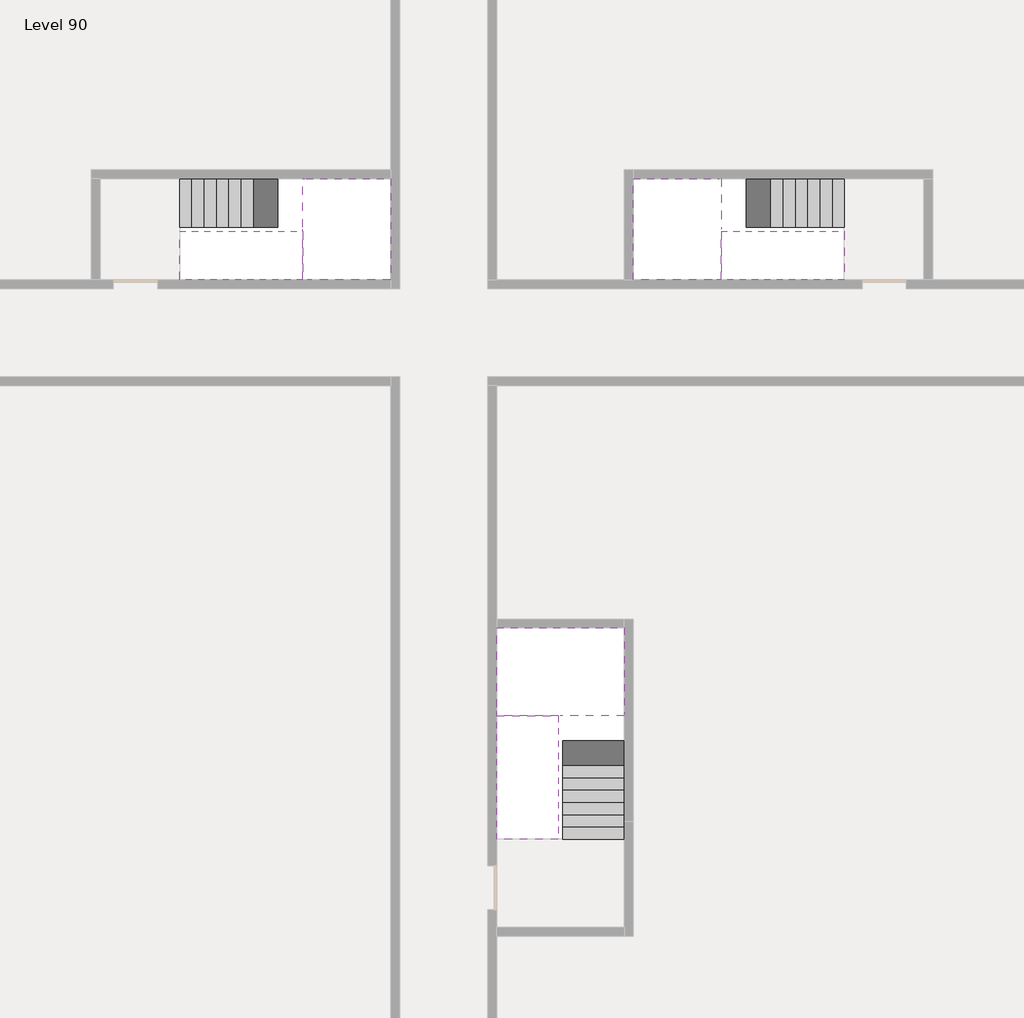
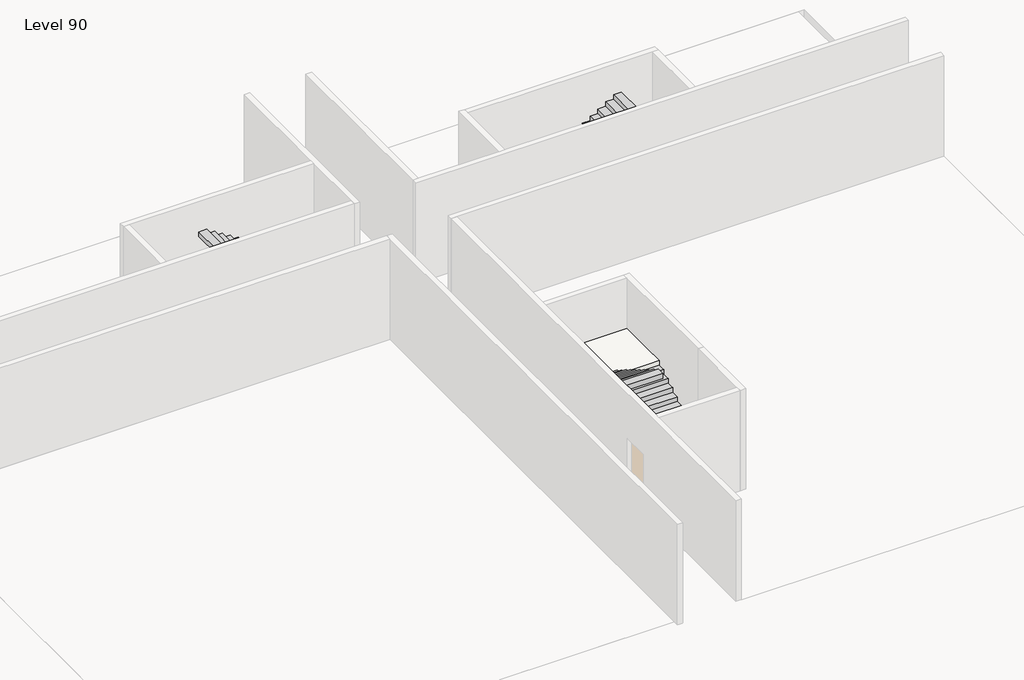
# One storey, part 2 of 2: 6 stair flights, 3 slabs.
"""IFC4 building model written with IfcOpenShell, lengths in millimetres."""

import ifcopenshell
import ifcopenshell.guid

model = None  # the IFC model being written
_history = None  # IfcOwnerHistory: only IFC2X3 demands one
_inside = {}  # id of a spatial element -> (the spatial element, [elements in it])
_under = {}  # id of a project, library or spatial element -> (it, [spatial elements below it])
_declared = {}  # id of a project -> (the project, [libraries it declares])
_typed = {}  # id of a type object -> (the type object, [elements of that type])
_made_of = {}  # id of a material, layer set ... -> (it, [elements and type objects made of it])


def new_model(schema):
    """Start an empty IFC model of exactly this schema.

    Asked for "IFC4X3", IfcOpenShell would pick the latest addendum, in which some entities
    have other attributes; the version numbers below select the first issue.
    IFC2X3 requires an IfcOwnerHistory on every rooted entity: one is made here for all.
    """
    global model, _history
    if schema == "IFC4X3":
        model = ifcopenshell.file(schema_version=(4, 3, 0, 0))
    else:
        model = ifcopenshell.file(schema=schema)
    _inside.clear()
    _under.clear()
    _declared.clear()
    _typed.clear()
    _made_of.clear()
    _history = None
    if model.schema == "IFC2X3":
        org = make("IfcOrganization", Name="unknown")
        user = make(
            "IfcPersonAndOrganization",
            ThePerson=make("IfcPerson", FamilyName="unknown"),
            TheOrganization=org,
        )
        app = make(
            "IfcApplication",
            ApplicationDeveloper=org,
            Version="unknown",
            ApplicationFullName="unknown",
            ApplicationIdentifier="unknown",
        )
        _history = make(
            "IfcOwnerHistory",
            OwningUser=user,
            OwningApplication=app,
            ChangeAction="ADDED",
            CreationDate=0,
        )
    return model


def make(cls, **values):
    """One entity of the class cls with the attributes given. An attribute that is None is left unset."""
    return model.create_entity(
        cls, **{name: value for name, value in values.items() if value is not None}
    )


def rooted(cls, **values):
    """An entity with a GlobalId (a new one), such as an element, a storey or a relation."""
    return make(cls, GlobalId=ifcopenshell.guid.new(), OwnerHistory=_history, **values)


def si_unit(unit_type, name, prefix=None):
    """IfcSIUnit, for example si_unit("LENGTHUNIT", "METRE", prefix="MILLI")."""
    return make("IfcSIUnit", UnitType=unit_type, Prefix=prefix, Name=name)


def assignment(units):
    """IfcUnitAssignment: the units of a project."""
    return None if units is None else make("IfcUnitAssignment", Units=units)


def point(xyz):
    """IfcCartesianPoint."""
    return None if xyz is None else make("IfcCartesianPoint", Coordinates=xyz)


def direction(xyz):
    """IfcDirection."""
    return None if xyz is None else make("IfcDirection", DirectionRatios=xyz)


def frame(location, z_axis=None, x_axis=None):
    """IfcAxis2Placement3D, a coordinate frame: its origin and axes. An axis left out is left unset."""
    return make(
        "IfcAxis2Placement3D",
        Location=point(location),
        Axis=direction(z_axis),
        RefDirection=direction(x_axis),
    )


def origin():
    """The frame at (0, 0, 0) with its axes left unset."""
    return frame((0.0, 0.0, 0.0))


def place(relative_to, where):
    """IfcLocalPlacement: puts the frame where relative to a parent placement (None: the world)."""
    return make(
        "IfcLocalPlacement", PlacementRelTo=relative_to, RelativePlacement=where
    )


def context(
    kind, dimensions, precision=None, world=None, true_north=None, identifier=None
):
    """IfcGeometricRepresentationContext, for example the 3D "Model" context."""
    return make(
        "IfcGeometricRepresentationContext",
        ContextIdentifier=identifier,
        ContextType=kind,
        CoordinateSpaceDimension=dimensions,
        Precision=precision,
        WorldCoordinateSystem=world,
        TrueNorth=true_north,
    )


def project(units=None, contexts=None):
    """IfcProject with its units and contexts."""
    return rooted(
        "IfcProject",
        Name="project",
        RepresentationContexts=contexts,
        UnitsInContext=assignment(units),
    )


def spatial(cls, under=None, at=None, **own):
    """A site, building, storey or space (cls), placed at a placement, below another one or the project."""
    s = rooted(cls, ObjectPlacement=at, **own)
    if under is not None:
        _under.setdefault(under.id(), (under, []))[1].append(s)
    return s


def faces_of(points, faces, orient=None, outer=None):
    """IfcFace entities. A face is a list of loops; a loop is a list of indices into points, from 0.

    orient and outer hold one flag for each loop. By default every Orientation is true, the
    first loop of a face is its IfcFaceOuterBound and the others are IfcFaceBound.
    """
    made = []
    for i, loops in enumerate(faces):
        bounds = []
        for j, loop in enumerate(loops):
            is_outer = j == 0 if outer is None else outer[i][j]
            bounds.append(
                make(
                    "IfcFaceOuterBound" if is_outer else "IfcFaceBound",
                    Bound=make("IfcPolyLoop", Polygon=[points[k] for k in loop]),
                    Orientation=True if orient is None else orient[i][j],
                )
            )
        made.append(make("IfcFace", Bounds=bounds))
    return made


def faceted_brep(points, faces, orient=None, outer=None, voids=None):
    """IfcFacetedBrep: a solid bounded by flat faces; with voids (closed shells), ...WithVoids."""
    shared = [point(p) for p in points]
    hull = make("IfcClosedShell", CfsFaces=faces_of(shared, faces, orient, outer))
    if voids is None:
        return make("IfcFacetedBrep", Outer=hull)
    return make(
        "IfcFacetedBrepWithVoids",
        Outer=hull,
        Voids=[
            make(cls, CfsFaces=faces_of(shared, fs, o, b)) for cls, fs, o, b in voids
        ],
    )


def shape(context_of_items, identifier, shape_type, items):
    """IfcShapeRepresentation: the items that make up one representation, for example the "Body"."""
    return make(
        "IfcShapeRepresentation",
        ContextOfItems=context_of_items,
        RepresentationIdentifier=identifier,
        RepresentationType=shape_type,
        Items=items,
    )


def made_of(thing, what):
    """Note that an element or type object is made of a material, layer set ...; save() writes the relation."""
    if what is not None:
        _made_of.setdefault(what.id(), (what, []))[1].append(thing)
    return thing


def element(
    cls,
    number,
    at=None,
    inside=None,
    cuts=None,
    type_object=None,
    material=None,
    context=None,
    identifier="Body",
    shape_type=None,
    held_by="IfcProductDefinitionShape",
    body=None,
    shapes=None,
    **own,
):
    """One element of the class cls, such as IfcWall. Its Tag is "e" and its number.

    at: its placement. inside: the storey or other place that contains it. cuts: it is an
    opening in that element (IfcRelVoidsElement). A single representation is given by context,
    identifier, shape_type and body (its items); several are given by shapes. held_by: the class
    of the entity that holds the representations. save() writes the other relations.
    """
    e = rooted(cls, Tag="e%d" % number, ObjectPlacement=at, **own)
    if body is not None:
        shapes = [shape(context, identifier, shape_type, body)]
    if shapes is not None:
        e.Representation = make(held_by, Representations=shapes)
    if inside is not None:
        _inside.setdefault(inside.id(), (inside, []))[1].append(e)
    if cuts is not None:
        rooted(
            "IfcRelVoidsElement", RelatingBuildingElement=cuts, RelatedOpeningElement=e
        )
    if type_object is not None:
        _typed.setdefault(type_object.id(), (type_object, []))[1].append(e)
    return made_of(e, material)


def aggregate(whole, parts):
    """IfcRelAggregates: a whole, such as a stair, and the parts it consists of."""
    return rooted("IfcRelAggregates", RelatingObject=whole, RelatedObjects=parts)


def save(model, path):
    """Write the relations noted so far, then the file.

    IfcRelAggregates (storeys below a building ...), IfcRelContainedInSpatialStructure (elements
    in a storey), IfcRelDefinesByType, IfcRelAssociatesMaterial and IfcRelDeclares: one each for
    every whole, place, type object, material and project.
    """
    for whole, parts in _under.values():
        aggregate(whole, parts)
    for where, things in _inside.values():
        rooted(
            "IfcRelContainedInSpatialStructure",
            RelatedElements=things,
            RelatingStructure=where,
        )
    for kind, things in _typed.values():
        rooted("IfcRelDefinesByType", RelatedObjects=things, RelatingType=kind)
    for what, things in _made_of.values():
        rooted("IfcRelAssociatesMaterial", RelatedObjects=things, RelatingMaterial=what)
    for by, libraries in _declared.values():
        rooted("IfcRelDeclares", RelatingContext=by, RelatedDefinitions=libraries)
    model.write(path)


model = new_model("IFC4")

# Units and contexts
model_context = context("Model", 3, world=origin())
ifc_project = project(units=[si_unit("LENGTHUNIT", "METRE", prefix="MILLI")], contexts=[model_context])

# Site, building, storey
site = spatial("IfcSite", under=ifc_project)
building = spatial("IfcBuilding", under=site)
storey = spatial("IfcBuildingStorey", under=building, Name="Level 90", Elevation=338200.0)

# Slabs
placement = place(None, origin())
element("IfcSlab", 1, at=placement, inside=storey, context=model_context, shape_type="Brep", body=[
    faceted_brep([(26890.1058784, -40418.09644, 340100.0), (28290.1058784, -40418.09644, 340100.0), (28290.1058784, -40338.7100038, 340100.0), (28290.1058784, -38418.09644, 340100.0), (25390.1058784, -38418.09644, 340100.0), (25390.1058784, -40217.4828763, 340100.0), (25390.1058784, -40418.09644, 340100.0), (26790.1058784, -40418.09644, 340100.0), (26890.1058784, -40418.09644, 339800.0), (26890.1058784, -40418.09644, 339751.0278478), (28290.1058784, -40418.09644, 339751.0278478), (28290.1058784, -40418.09644, 339927.2727273), (28290.1058784, -40338.7100038, 339800.0), (28290.1058784, -38418.09644, 339800.0), (25390.1058784, -38418.09644, 339800.0), (25390.1058784, -40217.4828763, 339800.0), (25390.1058784, -40418.09644, 339923.7551205), (26790.1058784, -40418.09644, 339923.7551205), (26790.1058784, -40418.09644, 339800.0), (26790.1058784, -40217.4828763, 339800.0), (26890.1058784, -40338.7100038, 339800.0)], [[[0, 1, 2, 3, 4, 5, 6, 7]], [[1, 0, 8, 9, 10, 11]], [[1, 11, 10, 12, 13, 3, 2]], [[4, 3, 13, 14]], [[4, 14, 15, 16, 6, 5]], [[7, 6, 16, 17]], [[0, 7, 17, 18, 8]], [[18, 19, 15, 14, 13, 12, 20, 8]], [[19, 18, 17]], [[20, 12, 10, 9]], [[8, 20, 9]], [[15, 19, 17, 16]]]),
])
element("IfcSlab", 2, at=placement, inside=storey, context=model_context, shape_type="Brep", body=[
    faceted_brep([(20990.1058784, -28218.09644, 340100.0), (20990.1058784, -29318.09644, 340100.0), (20990.1058784, -29418.09644, 340100.0), (20990.1058784, -30518.09644, 340100.0), (21190.7194421, -30518.09644, 340100.0), (22990.1058784, -30518.09644, 340100.0), (22990.1058784, -28218.09644, 340100.0), (21069.4923146, -28218.09644, 340100.0), (20990.1058784, -28218.09644, 339927.2727273), (20990.1058784, -28218.09644, 339751.0278478), (20990.1058784, -29318.09644, 339751.0278478), (20990.1058784, -29318.09644, 339800.0), (20990.1058784, -29418.09644, 339800.0), (20990.1058784, -29418.09644, 339923.7551205), (20990.1058784, -30518.09644, 339923.7551205), (21190.7194421, -30518.09644, 339800.0), (22990.1058784, -30518.09644, 339800.0), (22990.1058784, -28218.09644, 339800.0), (21069.4923146, -28218.09644, 339800.0), (21190.7194421, -29418.09644, 339800.0), (21069.4923146, -29318.09644, 339800.0)], [[[0, 1, 2, 3, 4, 5, 6, 7]], [[1, 0, 8, 9, 10, 11]], [[2, 1, 11, 12, 13]], [[3, 2, 13, 14]], [[3, 14, 15, 16, 5, 4]], [[6, 5, 16, 17]], [[9, 8, 0, 7, 6, 17, 18]], [[19, 12, 11, 20, 18, 17, 16, 15]], [[12, 19, 13]], [[18, 20, 10, 9]], [[20, 11, 10]], [[19, 15, 14, 13]]]),
])
element("IfcSlab", 3, at=placement, inside=storey, context=model_context, shape_type="Brep", body=[
    faceted_brep([(30490.1058784, -29318.09644, 340100.0), (30490.1058784, -28218.09644, 340100.0), (30410.7194421, -28218.09644, 340100.0), (28490.1058784, -28218.09644, 340100.0), (28490.1058784, -30518.09644, 340100.0), (30289.4923146, -30518.09644, 340100.0), (30490.1058784, -30518.09644, 340100.0), (30490.1058784, -29418.09644, 340100.0), (30490.1058784, -29318.09644, 339800.0), (30490.1058784, -29318.09644, 339751.0278478), (30490.1058784, -28218.09644, 339751.0278478), (30490.1058784, -28218.09644, 339927.2727273), (30490.1058784, -29418.09644, 339923.7551205), (30490.1058784, -29418.09644, 339800.0), (30490.1058784, -30518.09644, 339923.7551205), (28490.1058784, -30518.09644, 339800.0), (30289.4923146, -30518.09644, 339800.0), (28490.1058784, -28218.09644, 339800.0), (30410.7194421, -28218.09644, 339800.0), (30289.4923146, -29418.09644, 339800.0), (30410.7194421, -29318.09644, 339800.0)], [[[0, 1, 2, 3, 4, 5, 6, 7]], [[1, 0, 8, 9, 10, 11]], [[0, 7, 12, 13, 8]], [[7, 6, 14, 12]], [[4, 15, 16, 14, 6, 5]], [[4, 3, 17, 15]], [[1, 11, 10, 18, 17, 3, 2]], [[13, 19, 16, 15, 17, 18, 20, 8]], [[20, 18, 10, 9]], [[8, 20, 9]], [[16, 19, 12, 14]], [[19, 13, 12]]]),
])

# Stair flights
element("IfcStairFlight", 4, at=placement, inside=storey, context=model_context, shape_type="Brep", body=[
    faceted_brep([(26890.1058784, -42938.09644, 338372.7272727), (26890.1058784, -43218.09644, 338372.7272727), (28290.1058784, -43218.09644, 338372.7272727), (28290.1058784, -42938.09644, 338372.7272727), (26890.1058784, -42938.09644, 338200.0), (26890.1058784, -43218.09644, 338200.0), (28290.1058784, -43218.09644, 338200.0), (28290.1058784, -42938.09644, 338200.0), (26890.1058784, -42658.09644, 338545.4545455), (26890.1058784, -42938.09644, 338545.4545455), (28290.1058784, -42938.09644, 338545.4545455), (28290.1058784, -42658.09644, 338545.4545455), (26890.1058784, -42658.09644, 338369.209666), (26890.1058784, -42932.3942143, 338200.0), (28290.1058784, -42932.3942143, 338200.0), (28290.1058784, -42658.09644, 338369.209666), (26890.1058784, -42378.09644, 338718.1818182), (26890.1058784, -42658.09644, 338718.1818182), (28290.1058784, -42658.09644, 338718.1818182), (28290.1058784, -42378.09644, 338718.1818182), (26890.1058784, -42378.09644, 338541.9369387), (28290.1058784, -42378.09644, 338541.9369387), (26890.1058784, -42098.09644, 338890.9090909), (26890.1058784, -42378.09644, 338890.9090909), (28290.1058784, -42378.09644, 338890.9090909), (28290.1058784, -42098.09644, 338890.9090909), (26890.1058784, -42098.09644, 338714.6642114), (28290.1058784, -42098.09644, 338714.6642114), (26890.1058784, -41818.09644, 339063.6363636), (26890.1058784, -42098.09644, 339063.6363636), (28290.1058784, -42098.09644, 339063.6363636), (28290.1058784, -41818.09644, 339063.6363636), (26890.1058784, -41818.09644, 338887.3914841), (28290.1058784, -41818.09644, 338887.3914841), (26890.1058784, -41538.09644, 339236.3636364), (26890.1058784, -41818.09644, 339236.3636364), (28290.1058784, -41818.09644, 339236.3636364), (28290.1058784, -41538.09644, 339236.3636364), (26890.1058784, -41538.09644, 339060.1187569), (28290.1058784, -41538.09644, 339060.1187569), (26890.1058784, -41258.09644, 339409.0909091), (26890.1058784, -41538.09644, 339409.0909091), (28290.1058784, -41538.09644, 339409.0909091), (28290.1058784, -41258.09644, 339409.0909091), (26890.1058784, -41258.09644, 339232.8460296), (28290.1058784, -41258.09644, 339232.8460296), (26890.1058784, -40978.09644, 339581.8181818), (26890.1058784, -41258.09644, 339581.8181818), (28290.1058784, -41258.09644, 339581.8181818), (28290.1058784, -40978.09644, 339581.8181818), (26890.1058784, -40978.09644, 339405.5733023), (28290.1058784, -40978.09644, 339405.5733023), (26890.1058784, -40698.09644, 339754.5454545), (26890.1058784, -40978.09644, 339754.5454545), (28290.1058784, -40978.09644, 339754.5454545), (28290.1058784, -40698.09644, 339754.5454545), (26890.1058784, -40698.09644, 339578.3005751), (28290.1058784, -40698.09644, 339578.3005751), (26890.1058784, -40418.09644, 339927.2727273), (26890.1058784, -40698.09644, 339927.2727273), (28290.1058784, -40698.09644, 339927.2727273), (28290.1058784, -40418.09644, 339927.2727273), (26890.1058784, -40418.09644, 339800.0), (26890.1058784, -40418.09644, 339751.0278478), (28290.1058784, -40418.09644, 339751.0278478)], [[[0, 1, 2, 3]], [[1, 0, 4, 5]], [[2, 1, 5, 6]], [[3, 2, 6, 7]], [[8, 9, 10, 11]], [[4, 0, 9, 8, 12, 13]], [[0, 3, 10, 9]], [[3, 7, 14, 15, 11, 10]], [[16, 17, 18, 19]], [[17, 16, 20, 12, 8]], [[8, 11, 18, 17]], [[19, 18, 11, 15, 21]], [[22, 23, 24, 25]], [[23, 22, 26, 20, 16]], [[16, 19, 24, 23]], [[25, 24, 19, 21, 27]], [[28, 29, 30, 31]], [[29, 28, 32, 26, 22]], [[22, 25, 30, 29]], [[31, 30, 25, 27, 33]], [[34, 35, 36, 37]], [[35, 34, 38, 32, 28]], [[28, 31, 36, 35]], [[37, 36, 31, 33, 39]], [[40, 41, 42, 43]], [[41, 40, 44, 38, 34]], [[34, 37, 42, 41]], [[43, 42, 37, 39, 45]], [[46, 47, 48, 49]], [[47, 46, 50, 44, 40]], [[40, 43, 48, 47]], [[49, 48, 43, 45, 51]], [[52, 53, 54, 55]], [[53, 52, 56, 50, 46]], [[46, 49, 54, 53]], [[55, 54, 49, 51, 57]], [[58, 59, 60, 61]], [[59, 58, 62, 63, 56, 52]], [[52, 55, 60, 59]], [[61, 60, 55, 57, 64]], [[58, 61, 64, 63, 62]], [[5, 4, 13, 14, 7, 6]], [[14, 13, 12, 20, 26, 32, 38, 44, 50, 56, 63, 64, 57, 51, 45, 39, 33, 27, 21, 15]]]),
])
element("IfcStairFlight", 5, at=placement, inside=storey, context=model_context, shape_type="Brep", body=[
    faceted_brep([(26790.1058784, -40698.09644, 340272.7272727), (26790.1058784, -40418.09644, 340272.7272727), (25390.1058784, -40418.09644, 340272.7272727), (25390.1058784, -40698.09644, 340272.7272727), (26790.1058784, -40698.09644, 340096.4823932), (26790.1058784, -40418.09644, 339923.7551205), (25390.1058784, -40418.09644, 339923.7551205), (25390.1058784, -40418.09644, 340100.0), (25390.1058784, -40698.09644, 340096.4823932), (26790.1058784, -40978.09644, 340445.4545455), (26790.1058784, -40698.09644, 340445.4545455), (25390.1058784, -40698.09644, 340445.4545455), (25390.1058784, -40978.09644, 340445.4545455), (26790.1058784, -40978.09644, 340269.209666), (25390.1058784, -40978.09644, 340269.209666), (26790.1058784, -41258.09644, 340618.1818182), (26790.1058784, -40978.09644, 340618.1818182), (25390.1058784, -40978.09644, 340618.1818182), (25390.1058784, -41258.09644, 340618.1818182), (26790.1058784, -41258.09644, 340441.9369387), (25390.1058784, -41258.09644, 340441.9369387), (26790.1058784, -41538.09644, 340790.9090909), (26790.1058784, -41258.09644, 340790.9090909), (25390.1058784, -41258.09644, 340790.9090909), (25390.1058784, -41538.09644, 340790.9090909), (26790.1058784, -41538.09644, 340614.6642114), (25390.1058784, -41538.09644, 340614.6642114), (26790.1058784, -41818.09644, 340963.6363636), (26790.1058784, -41538.09644, 340963.6363636), (25390.1058784, -41538.09644, 340963.6363636), (25390.1058784, -41818.09644, 340963.6363636), (26790.1058784, -41818.09644, 340787.3914841), (25390.1058784, -41818.09644, 340787.3914841), (26790.1058784, -42098.09644, 341136.3636364), (26790.1058784, -41818.09644, 341136.3636364), (25390.1058784, -41818.09644, 341136.3636364), (25390.1058784, -42098.09644, 341136.3636364), (26790.1058784, -42098.09644, 340960.1187569), (25390.1058784, -42098.09644, 340960.1187569), (26790.1058784, -42378.09644, 341309.0909091), (26790.1058784, -42098.09644, 341309.0909091), (25390.1058784, -42098.09644, 341309.0909091), (25390.1058784, -42378.09644, 341309.0909091), (26790.1058784, -42378.09644, 341132.8460296), (25390.1058784, -42378.09644, 341132.8460296), (26790.1058784, -42658.09644, 341481.8181818), (26790.1058784, -42378.09644, 341481.8181818), (25390.1058784, -42378.09644, 341481.8181818), (25390.1058784, -42658.09644, 341481.8181818), (26790.1058784, -42658.09644, 341305.5733023), (25390.1058784, -42658.09644, 341305.5733023), (26790.1058784, -42938.09644, 341654.5454545), (26790.1058784, -42658.09644, 341654.5454545), (25390.1058784, -42658.09644, 341654.5454545), (25390.1058784, -42938.09644, 341654.5454545), (26790.1058784, -42938.09644, 341478.3005751), (25390.1058784, -42938.09644, 341478.3005751), (26790.1058784, -43218.09644, 341827.2727273), (26790.1058784, -42938.09644, 341827.2727273), (25390.1058784, -42938.09644, 341827.2727273), (25390.1058784, -43218.09644, 341827.2727273), (26790.1058784, -43218.09644, 341651.0278478), (25390.1058784, -43218.09644, 341651.0278478)], [[[0, 1, 2, 3]], [[1, 0, 4, 5]], [[2, 1, 5, 6, 7]], [[3, 2, 7, 6, 8]], [[9, 10, 11, 12]], [[10, 9, 13, 4, 0]], [[11, 10, 0, 3]], [[12, 11, 3, 8, 14]], [[15, 16, 17, 18]], [[16, 15, 19, 13, 9]], [[17, 16, 9, 12]], [[18, 17, 12, 14, 20]], [[21, 22, 23, 24]], [[22, 21, 25, 19, 15]], [[23, 22, 15, 18]], [[24, 23, 18, 20, 26]], [[27, 28, 29, 30]], [[28, 27, 31, 25, 21]], [[29, 28, 21, 24]], [[30, 29, 24, 26, 32]], [[33, 34, 35, 36]], [[34, 33, 37, 31, 27]], [[35, 34, 27, 30]], [[36, 35, 30, 32, 38]], [[39, 40, 41, 42]], [[40, 39, 43, 37, 33]], [[41, 40, 33, 36]], [[42, 41, 36, 38, 44]], [[45, 46, 47, 48]], [[46, 45, 49, 43, 39]], [[47, 46, 39, 42]], [[48, 47, 42, 44, 50]], [[51, 52, 53, 54]], [[52, 51, 55, 49, 45]], [[53, 52, 45, 48]], [[54, 53, 48, 50, 56]], [[57, 58, 59, 60]], [[58, 57, 61, 55, 51]], [[59, 58, 51, 54]], [[60, 59, 54, 56, 62]], [[57, 60, 62, 61]], [[5, 4, 13, 19, 25, 31, 37, 43, 49, 55, 61, 62, 56, 50, 44, 38, 32, 26, 20, 14, 8, 6]]]),
])
element("IfcStairFlight", 6, at=placement, inside=storey, context=model_context, shape_type="Brep", body=[
    faceted_brep([(18470.1058784, -28218.09644, 338372.7272727), (18190.1058784, -28218.09644, 338372.7272727), (18190.1058784, -29318.09644, 338372.7272727), (18470.1058784, -29318.09644, 338372.7272727), (18470.1058784, -28218.09644, 338200.0), (18190.1058784, -28218.09644, 338200.0), (18190.1058784, -29318.09644, 338200.0), (18470.1058784, -29318.09644, 338200.0), (18750.1058784, -28218.09644, 338545.4545455), (18470.1058784, -28218.09644, 338545.4545455), (18470.1058784, -29318.09644, 338545.4545455), (18750.1058784, -29318.09644, 338545.4545455), (18750.1058784, -28218.09644, 338369.209666), (18475.8081041, -28218.09644, 338200.0), (18475.8081041, -29318.09644, 338200.0), (18750.1058784, -29318.09644, 338369.209666), (19030.1058784, -28218.09644, 338718.1818182), (18750.1058784, -28218.09644, 338718.1818182), (18750.1058784, -29318.09644, 338718.1818182), (19030.1058784, -29318.09644, 338718.1818182), (19030.1058784, -28218.09644, 338541.9369387), (19030.1058784, -29318.09644, 338541.9369387), (19310.1058784, -28218.09644, 338890.9090909), (19030.1058784, -28218.09644, 338890.9090909), (19030.1058784, -29318.09644, 338890.9090909), (19310.1058784, -29318.09644, 338890.9090909), (19310.1058784, -28218.09644, 338714.6642114), (19310.1058784, -29318.09644, 338714.6642114), (19590.1058784, -28218.09644, 339063.6363636), (19310.1058784, -28218.09644, 339063.6363636), (19310.1058784, -29318.09644, 339063.6363636), (19590.1058784, -29318.09644, 339063.6363636), (19590.1058784, -28218.09644, 338887.3914841), (19590.1058784, -29318.09644, 338887.3914841), (19870.1058784, -28218.09644, 339236.3636364), (19590.1058784, -28218.09644, 339236.3636364), (19590.1058784, -29318.09644, 339236.3636364), (19870.1058784, -29318.09644, 339236.3636364), (19870.1058784, -28218.09644, 339060.1187569), (19870.1058784, -29318.09644, 339060.1187569), (20150.1058784, -28218.09644, 339409.0909091), (19870.1058784, -28218.09644, 339409.0909091), (19870.1058784, -29318.09644, 339409.0909091), (20150.1058784, -29318.09644, 339409.0909091), (20150.1058784, -28218.09644, 339232.8460296), (20150.1058784, -29318.09644, 339232.8460296), (20430.1058784, -28218.09644, 339581.8181818), (20150.1058784, -28218.09644, 339581.8181818), (20150.1058784, -29318.09644, 339581.8181818), (20430.1058784, -29318.09644, 339581.8181818), (20430.1058784, -28218.09644, 339405.5733023), (20430.1058784, -29318.09644, 339405.5733023), (20710.1058784, -28218.09644, 339754.5454545), (20430.1058784, -28218.09644, 339754.5454545), (20430.1058784, -29318.09644, 339754.5454545), (20710.1058784, -29318.09644, 339754.5454545), (20710.1058784, -28218.09644, 339578.3005751), (20710.1058784, -29318.09644, 339578.3005751), (20990.1058784, -28218.09644, 339927.2727273), (20710.1058784, -28218.09644, 339927.2727273), (20710.1058784, -29318.09644, 339927.2727273), (20990.1058784, -29318.09644, 339927.2727273), (20990.1058784, -28218.09644, 339751.0278478), (20990.1058784, -29318.09644, 339751.0278478), (20990.1058784, -29318.09644, 339800.0)], [[[0, 1, 2, 3]], [[1, 0, 4, 5]], [[2, 1, 5, 6]], [[3, 2, 6, 7]], [[8, 9, 10, 11]], [[4, 0, 9, 8, 12, 13]], [[0, 3, 10, 9]], [[3, 7, 14, 15, 11, 10]], [[16, 17, 18, 19]], [[17, 16, 20, 12, 8]], [[8, 11, 18, 17]], [[19, 18, 11, 15, 21]], [[22, 23, 24, 25]], [[23, 22, 26, 20, 16]], [[16, 19, 24, 23]], [[25, 24, 19, 21, 27]], [[28, 29, 30, 31]], [[29, 28, 32, 26, 22]], [[22, 25, 30, 29]], [[31, 30, 25, 27, 33]], [[34, 35, 36, 37]], [[35, 34, 38, 32, 28]], [[28, 31, 36, 35]], [[37, 36, 31, 33, 39]], [[40, 41, 42, 43]], [[41, 40, 44, 38, 34]], [[34, 37, 42, 41]], [[43, 42, 37, 39, 45]], [[46, 47, 48, 49]], [[47, 46, 50, 44, 40]], [[40, 43, 48, 47]], [[49, 48, 43, 45, 51]], [[52, 53, 54, 55]], [[53, 52, 56, 50, 46]], [[46, 49, 54, 53]], [[55, 54, 49, 51, 57]], [[58, 59, 60, 61]], [[59, 58, 62, 56, 52]], [[52, 55, 60, 59]], [[61, 60, 55, 57, 63, 64]], [[58, 61, 64, 63, 62]], [[5, 4, 13, 14, 7, 6]], [[14, 13, 12, 20, 26, 32, 38, 44, 50, 56, 62, 63, 57, 51, 45, 39, 33, 27, 21, 15]]]),
])
element("IfcStairFlight", 7, at=placement, inside=storey, context=model_context, shape_type="Brep", body=[
    faceted_brep([(20710.1058784, -30518.09644, 340272.7272727), (20990.1058784, -30518.09644, 340272.7272727), (20990.1058784, -29418.09644, 340272.7272727), (20710.1058784, -29418.09644, 340272.7272727), (20710.1058784, -30518.09644, 340096.4823932), (20990.1058784, -30518.09644, 339923.7551205), (20990.1058784, -30518.09644, 340100.0), (20990.1058784, -29418.09644, 339923.7551205), (20710.1058784, -29418.09644, 340096.4823932), (20430.1058784, -30518.09644, 340445.4545455), (20710.1058784, -30518.09644, 340445.4545455), (20710.1058784, -29418.09644, 340445.4545455), (20430.1058784, -29418.09644, 340445.4545455), (20430.1058784, -30518.09644, 340269.209666), (20430.1058784, -29418.09644, 340269.209666), (20150.1058784, -30518.09644, 340618.1818182), (20430.1058784, -30518.09644, 340618.1818182), (20430.1058784, -29418.09644, 340618.1818182), (20150.1058784, -29418.09644, 340618.1818182), (20150.1058784, -30518.09644, 340441.9369387), (20150.1058784, -29418.09644, 340441.9369387), (19870.1058784, -30518.09644, 340790.9090909), (20150.1058784, -30518.09644, 340790.9090909), (20150.1058784, -29418.09644, 340790.9090909), (19870.1058784, -29418.09644, 340790.9090909), (19870.1058784, -30518.09644, 340614.6642114), (19870.1058784, -29418.09644, 340614.6642114), (19590.1058784, -30518.09644, 340963.6363636), (19870.1058784, -30518.09644, 340963.6363636), (19870.1058784, -29418.09644, 340963.6363636), (19590.1058784, -29418.09644, 340963.6363636), (19590.1058784, -30518.09644, 340787.3914841), (19590.1058784, -29418.09644, 340787.3914841), (19310.1058784, -30518.09644, 341136.3636364), (19590.1058784, -30518.09644, 341136.3636364), (19590.1058784, -29418.09644, 341136.3636364), (19310.1058784, -29418.09644, 341136.3636364), (19310.1058784, -30518.09644, 340960.1187569), (19310.1058784, -29418.09644, 340960.1187569), (19030.1058784, -30518.09644, 341309.0909091), (19310.1058784, -30518.09644, 341309.0909091), (19310.1058784, -29418.09644, 341309.0909091), (19030.1058784, -29418.09644, 341309.0909091), (19030.1058784, -30518.09644, 341132.8460296), (19030.1058784, -29418.09644, 341132.8460296), (18750.1058784, -30518.09644, 341481.8181818), (19030.1058784, -30518.09644, 341481.8181818), (19030.1058784, -29418.09644, 341481.8181818), (18750.1058784, -29418.09644, 341481.8181818), (18750.1058784, -30518.09644, 341305.5733023), (18750.1058784, -29418.09644, 341305.5733023), (18470.1058784, -30518.09644, 341654.5454545), (18750.1058784, -30518.09644, 341654.5454545), (18750.1058784, -29418.09644, 341654.5454545), (18470.1058784, -29418.09644, 341654.5454545), (18470.1058784, -30518.09644, 341478.3005751), (18470.1058784, -29418.09644, 341478.3005751), (18190.1058784, -30518.09644, 341827.2727273), (18470.1058784, -30518.09644, 341827.2727273), (18470.1058784, -29418.09644, 341827.2727273), (18190.1058784, -29418.09644, 341827.2727273), (18190.1058784, -30518.09644, 341651.0278478), (18190.1058784, -29418.09644, 341651.0278478)], [[[0, 1, 2, 3]], [[1, 0, 4, 5, 6]], [[2, 1, 6, 5, 7]], [[3, 2, 7, 8]], [[9, 10, 11, 12]], [[10, 9, 13, 4, 0]], [[11, 10, 0, 3]], [[12, 11, 3, 8, 14]], [[15, 16, 17, 18]], [[16, 15, 19, 13, 9]], [[17, 16, 9, 12]], [[18, 17, 12, 14, 20]], [[21, 22, 23, 24]], [[22, 21, 25, 19, 15]], [[23, 22, 15, 18]], [[24, 23, 18, 20, 26]], [[27, 28, 29, 30]], [[28, 27, 31, 25, 21]], [[29, 28, 21, 24]], [[30, 29, 24, 26, 32]], [[33, 34, 35, 36]], [[34, 33, 37, 31, 27]], [[35, 34, 27, 30]], [[36, 35, 30, 32, 38]], [[39, 40, 41, 42]], [[40, 39, 43, 37, 33]], [[41, 40, 33, 36]], [[42, 41, 36, 38, 44]], [[45, 46, 47, 48]], [[46, 45, 49, 43, 39]], [[47, 46, 39, 42]], [[48, 47, 42, 44, 50]], [[51, 52, 53, 54]], [[52, 51, 55, 49, 45]], [[53, 52, 45, 48]], [[54, 53, 48, 50, 56]], [[57, 58, 59, 60]], [[58, 57, 61, 55, 51]], [[59, 58, 51, 54]], [[60, 59, 54, 56, 62]], [[57, 60, 62, 61]], [[5, 4, 13, 19, 25, 31, 37, 43, 49, 55, 61, 62, 56, 50, 44, 38, 32, 26, 20, 14, 8, 7]]]),
])
element("IfcStairFlight", 8, at=placement, inside=storey, context=model_context, shape_type="Brep", body=[
    faceted_brep([(33010.1058784, -29318.09644, 338372.7272727), (33290.1058784, -29318.09644, 338372.7272727), (33290.1058784, -28218.09644, 338372.7272727), (33010.1058784, -28218.09644, 338372.7272727), (33290.1058784, -28218.09644, 338200.0), (33010.1058784, -28218.09644, 338200.0), (33290.1058784, -29318.09644, 338200.0), (33010.1058784, -29318.09644, 338200.0), (32730.1058784, -29318.09644, 338545.4545455), (33010.1058784, -29318.09644, 338545.4545455), (33010.1058784, -28218.09644, 338545.4545455), (32730.1058784, -28218.09644, 338545.4545455), (33004.4036527, -28218.09644, 338200.0), (32730.1058784, -28218.09644, 338369.209666), (32730.1058784, -29318.09644, 338369.209666), (33004.4036527, -29318.09644, 338200.0), (32450.1058784, -29318.09644, 338718.1818182), (32730.1058784, -29318.09644, 338718.1818182), (32730.1058784, -28218.09644, 338718.1818182), (32450.1058784, -28218.09644, 338718.1818182), (32450.1058784, -28218.09644, 338541.9369387), (32450.1058784, -29318.09644, 338541.9369387), (32170.1058784, -29318.09644, 338890.9090909), (32450.1058784, -29318.09644, 338890.9090909), (32450.1058784, -28218.09644, 338890.9090909), (32170.1058784, -28218.09644, 338890.9090909), (32170.1058784, -28218.09644, 338714.6642114), (32170.1058784, -29318.09644, 338714.6642114), (31890.1058784, -29318.09644, 339063.6363636), (32170.1058784, -29318.09644, 339063.6363636), (32170.1058784, -28218.09644, 339063.6363636), (31890.1058784, -28218.09644, 339063.6363636), (31890.1058784, -28218.09644, 338887.3914841), (31890.1058784, -29318.09644, 338887.3914841), (31610.1058784, -29318.09644, 339236.3636364), (31890.1058784, -29318.09644, 339236.3636364), (31890.1058784, -28218.09644, 339236.3636364), (31610.1058784, -28218.09644, 339236.3636364), (31610.1058784, -28218.09644, 339060.1187569), (31610.1058784, -29318.09644, 339060.1187569), (31330.1058784, -29318.09644, 339409.0909091), (31610.1058784, -29318.09644, 339409.0909091), (31610.1058784, -28218.09644, 339409.0909091), (31330.1058784, -28218.09644, 339409.0909091), (31330.1058784, -28218.09644, 339232.8460296), (31330.1058784, -29318.09644, 339232.8460296), (31050.1058784, -29318.09644, 339581.8181818), (31330.1058784, -29318.09644, 339581.8181818), (31330.1058784, -28218.09644, 339581.8181818), (31050.1058784, -28218.09644, 339581.8181818), (31050.1058784, -28218.09644, 339405.5733023), (31050.1058784, -29318.09644, 339405.5733023), (30770.1058784, -29318.09644, 339754.5454545), (31050.1058784, -29318.09644, 339754.5454545), (31050.1058784, -28218.09644, 339754.5454545), (30770.1058784, -28218.09644, 339754.5454545), (30770.1058784, -28218.09644, 339578.3005751), (30770.1058784, -29318.09644, 339578.3005751), (30490.1058784, -29318.09644, 339927.2727273), (30770.1058784, -29318.09644, 339927.2727273), (30770.1058784, -28218.09644, 339927.2727273), (30490.1058784, -28218.09644, 339927.2727273), (30490.1058784, -28218.09644, 339751.0278478), (30490.1058784, -29318.09644, 339800.0), (30490.1058784, -29318.09644, 339751.0278478)], [[[0, 1, 2, 3]], [[3, 2, 4, 5]], [[2, 1, 6, 4]], [[1, 0, 7, 6]], [[8, 9, 10, 11]], [[3, 5, 12, 13, 11, 10]], [[0, 3, 10, 9]], [[7, 0, 9, 8, 14, 15]], [[16, 17, 18, 19]], [[19, 18, 11, 13, 20]], [[8, 11, 18, 17]], [[17, 16, 21, 14, 8]], [[22, 23, 24, 25]], [[25, 24, 19, 20, 26]], [[16, 19, 24, 23]], [[23, 22, 27, 21, 16]], [[28, 29, 30, 31]], [[31, 30, 25, 26, 32]], [[22, 25, 30, 29]], [[29, 28, 33, 27, 22]], [[34, 35, 36, 37]], [[37, 36, 31, 32, 38]], [[28, 31, 36, 35]], [[35, 34, 39, 33, 28]], [[40, 41, 42, 43]], [[43, 42, 37, 38, 44]], [[34, 37, 42, 41]], [[41, 40, 45, 39, 34]], [[46, 47, 48, 49]], [[49, 48, 43, 44, 50]], [[40, 43, 48, 47]], [[47, 46, 51, 45, 40]], [[52, 53, 54, 55]], [[55, 54, 49, 50, 56]], [[46, 49, 54, 53]], [[53, 52, 57, 51, 46]], [[58, 59, 60, 61]], [[61, 60, 55, 56, 62]], [[52, 55, 60, 59]], [[59, 58, 63, 64, 57, 52]], [[58, 61, 62, 64, 63]], [[6, 7, 15, 12, 5, 4]], [[12, 15, 14, 21, 27, 33, 39, 45, 51, 57, 64, 62, 56, 50, 44, 38, 32, 26, 20, 13]]]),
])
element("IfcStairFlight", 9, at=placement, inside=storey, context=model_context, shape_type="Brep", body=[
    faceted_brep([(30770.1058784, -29418.09644, 340272.7272727), (30490.1058784, -29418.09644, 340272.7272727), (30490.1058784, -30518.09644, 340272.7272727), (30770.1058784, -30518.09644, 340272.7272727), (30490.1058784, -30518.09644, 340100.0), (30490.1058784, -30518.09644, 339923.7551205), (30770.1058784, -30518.09644, 340096.4823932), (30490.1058784, -29418.09644, 339923.7551205), (30770.1058784, -29418.09644, 340096.4823932), (31050.1058784, -29418.09644, 340445.4545455), (30770.1058784, -29418.09644, 340445.4545455), (30770.1058784, -30518.09644, 340445.4545455), (31050.1058784, -30518.09644, 340445.4545455), (31050.1058784, -30518.09644, 340269.209666), (31050.1058784, -29418.09644, 340269.209666), (31330.1058784, -29418.09644, 340618.1818182), (31050.1058784, -29418.09644, 340618.1818182), (31050.1058784, -30518.09644, 340618.1818182), (31330.1058784, -30518.09644, 340618.1818182), (31330.1058784, -30518.09644, 340441.9369387), (31330.1058784, -29418.09644, 340441.9369387), (31610.1058784, -29418.09644, 340790.9090909), (31330.1058784, -29418.09644, 340790.9090909), (31330.1058784, -30518.09644, 340790.9090909), (31610.1058784, -30518.09644, 340790.9090909), (31610.1058784, -30518.09644, 340614.6642114), (31610.1058784, -29418.09644, 340614.6642114), (31890.1058784, -29418.09644, 340963.6363636), (31610.1058784, -29418.09644, 340963.6363636), (31610.1058784, -30518.09644, 340963.6363636), (31890.1058784, -30518.09644, 340963.6363636), (31890.1058784, -30518.09644, 340787.3914841), (31890.1058784, -29418.09644, 340787.3914841), (32170.1058784, -29418.09644, 341136.3636364), (31890.1058784, -29418.09644, 341136.3636364), (31890.1058784, -30518.09644, 341136.3636364), (32170.1058784, -30518.09644, 341136.3636364), (32170.1058784, -30518.09644, 340960.1187569), (32170.1058784, -29418.09644, 340960.1187569), (32450.1058784, -29418.09644, 341309.0909091), (32170.1058784, -29418.09644, 341309.0909091), (32170.1058784, -30518.09644, 341309.0909091), (32450.1058784, -30518.09644, 341309.0909091), (32450.1058784, -30518.09644, 341132.8460296), (32450.1058784, -29418.09644, 341132.8460296), (32730.1058784, -29418.09644, 341481.8181818), (32450.1058784, -29418.09644, 341481.8181818), (32450.1058784, -30518.09644, 341481.8181818), (32730.1058784, -30518.09644, 341481.8181818), (32730.1058784, -30518.09644, 341305.5733023), (32730.1058784, -29418.09644, 341305.5733023), (33010.1058784, -29418.09644, 341654.5454545), (32730.1058784, -29418.09644, 341654.5454545), (32730.1058784, -30518.09644, 341654.5454545), (33010.1058784, -30518.09644, 341654.5454545), (33010.1058784, -30518.09644, 341478.3005751), (33010.1058784, -29418.09644, 341478.3005751), (33290.1058784, -29418.09644, 341827.2727273), (33010.1058784, -29418.09644, 341827.2727273), (33010.1058784, -30518.09644, 341827.2727273), (33290.1058784, -30518.09644, 341827.2727273), (33290.1058784, -30518.09644, 341651.0278478), (33290.1058784, -29418.09644, 341651.0278478)], [[[0, 1, 2, 3]], [[3, 2, 4, 5, 6]], [[2, 1, 7, 5, 4]], [[1, 0, 8, 7]], [[9, 10, 11, 12]], [[12, 11, 3, 6, 13]], [[11, 10, 0, 3]], [[10, 9, 14, 8, 0]], [[15, 16, 17, 18]], [[18, 17, 12, 13, 19]], [[17, 16, 9, 12]], [[16, 15, 20, 14, 9]], [[21, 22, 23, 24]], [[24, 23, 18, 19, 25]], [[23, 22, 15, 18]], [[22, 21, 26, 20, 15]], [[27, 28, 29, 30]], [[30, 29, 24, 25, 31]], [[29, 28, 21, 24]], [[28, 27, 32, 26, 21]], [[33, 34, 35, 36]], [[36, 35, 30, 31, 37]], [[35, 34, 27, 30]], [[34, 33, 38, 32, 27]], [[39, 40, 41, 42]], [[42, 41, 36, 37, 43]], [[41, 40, 33, 36]], [[40, 39, 44, 38, 33]], [[45, 46, 47, 48]], [[48, 47, 42, 43, 49]], [[47, 46, 39, 42]], [[46, 45, 50, 44, 39]], [[51, 52, 53, 54]], [[54, 53, 48, 49, 55]], [[53, 52, 45, 48]], [[52, 51, 56, 50, 45]], [[57, 58, 59, 60]], [[60, 59, 54, 55, 61]], [[59, 58, 51, 54]], [[58, 57, 62, 56, 51]], [[57, 60, 61, 62]], [[7, 8, 14, 20, 26, 32, 38, 44, 50, 56, 62, 61, 55, 49, 43, 37, 31, 25, 19, 13, 6, 5]]]),
])

save(model, "model.ifc")
